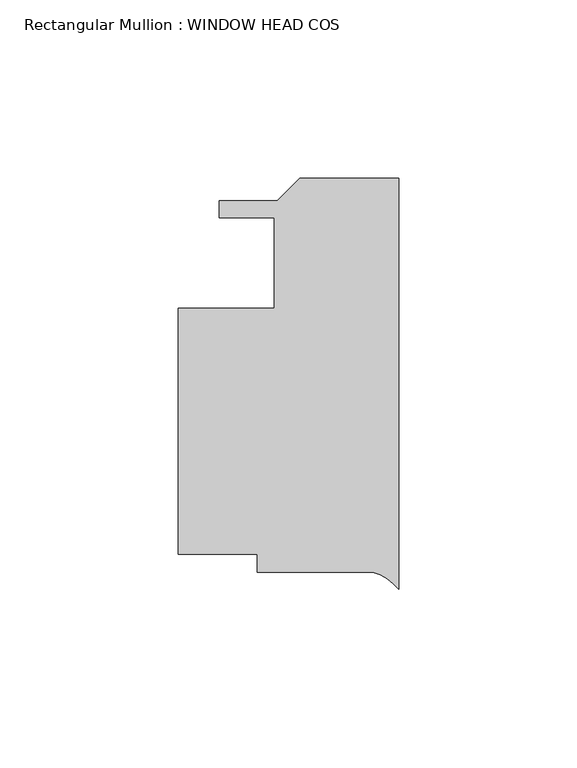
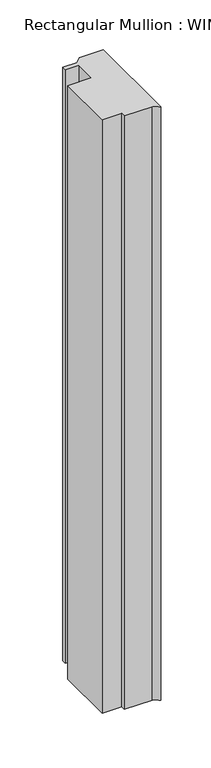
"""IFC4 building model written with IfcOpenShell, lengths in millimetres: member geometry, Rectangular Mullion : WINDOW HEAD COS."""

from ifc_helpers import new_model, si_unit, point, frame, frame_2d, origin, place, context, project, spatial, polyline, circle_curve, trimmed, segment, composite_curve, outline, extrude, source, transform, mapped, element, save


def rectangular_mullion_window_head_cos_59b9653d(model_context):
    return source(origin(), model_context, "Body", "SweptSolid", [
        extrude(outline(composite_curve([segment(polyline([(-7.2766376, -99.5378657), (-39.671625, -99.5378657), (-39.671625, -94.4578657), (-61.896625, -94.4578657), (-61.896625, -25.4214594), (-34.9091255, -25.4214594), (-34.9091255, -0.0214596), (-50.4102745, -0.0214596), (-50.4102745, 4.6775406), (-34.1113605, 4.6775406), (-27.7605667, 11.0283343), (0.0, 11.0283343), (0.0, -104.3560036)]), True, "CONTINUOUS"), segment(trimmed(circle_curve(frame_2d((-10.8038066, -112.7686793)), 13.6928942), [point((0.0, -104.3560036))], [point((-7.2766376, -99.5378657))], True, "CARTESIAN"), True, "CONTINUOUS")], self_intersect=False)), frame((0.0, 0.0, -727.090875), z_axis=(0.0, 0.0, 1.0), x_axis=(1.0, 0.0, 0.0)), (0.0, 0.0, 1.0), 727.090875),
    ])


if __name__ == "__main__":
    model = new_model("IFC4")
    model_context = context("Model", 3, world=origin())
    ifc_project = project(units=[si_unit("LENGTHUNIT", "METRE", prefix="MILLI")], contexts=[model_context])
    site = spatial("IfcSite", under=ifc_project)
    building = spatial("IfcBuilding", under=site)
    placement = place(None, origin())
    rectangular_mullion_window_head_cos_shape = rectangular_mullion_window_head_cos_59b9653d(model_context)
    element("IfcMember", 1, ObjectType="Rectangular Mullion : WINDOW HEAD COS", at=placement, inside=building, context=model_context, shape_type="MappedRepresentation", body=[
        mapped(rectangular_mullion_window_head_cos_shape, transform((0.0, 0.0, 0.0), x_axis=(1.0, 0.0, 0.0), y_axis=(0.0, 1.0, 0.0), z_axis=(0.0, 0.0, 1.0))),
    ])
    save(model, "model.ifc")
